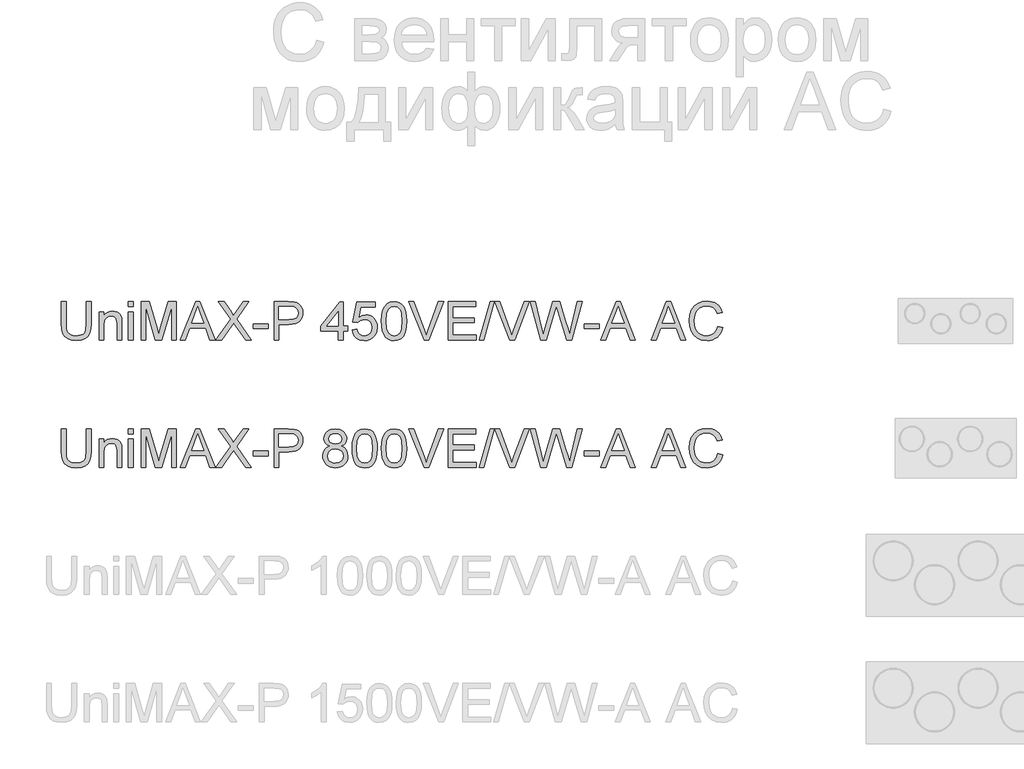
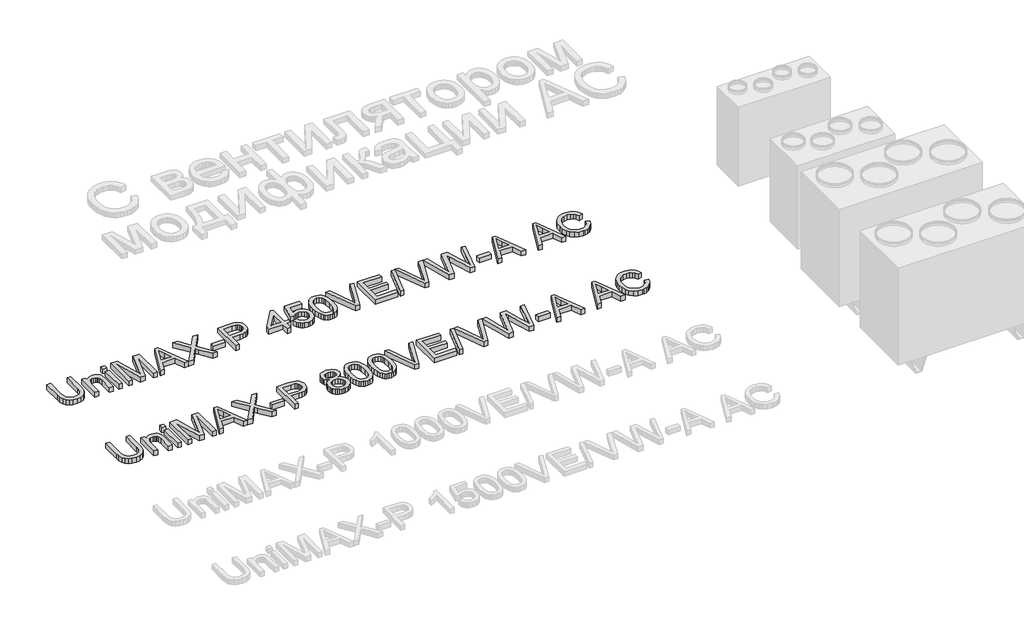
# One storey, part 18 of 74: 2 proxies.
"""IFC4 building model written with IfcOpenShell, lengths in millimetres."""

import ifcopenshell
import ifcopenshell.guid

model = None  # the IFC model being written
_history = None  # IfcOwnerHistory: only IFC2X3 demands one
_inside = {}  # id of a spatial element -> (the spatial element, [elements in it])
_under = {}  # id of a project, library or spatial element -> (it, [spatial elements below it])
_declared = {}  # id of a project -> (the project, [libraries it declares])
_typed = {}  # id of a type object -> (the type object, [elements of that type])
_made_of = {}  # id of a material, layer set ... -> (it, [elements and type objects made of it])


def new_model(schema):
    """Start an empty IFC model of exactly this schema.

    Asked for "IFC4X3", IfcOpenShell would pick the latest addendum, in which some entities
    have other attributes; the version numbers below select the first issue.
    IFC2X3 requires an IfcOwnerHistory on every rooted entity: one is made here for all.
    """
    global model, _history
    if schema == "IFC4X3":
        model = ifcopenshell.file(schema_version=(4, 3, 0, 0))
    else:
        model = ifcopenshell.file(schema=schema)
    _inside.clear()
    _under.clear()
    _declared.clear()
    _typed.clear()
    _made_of.clear()
    _history = None
    if model.schema == "IFC2X3":
        org = make("IfcOrganization", Name="unknown")
        user = make(
            "IfcPersonAndOrganization",
            ThePerson=make("IfcPerson", FamilyName="unknown"),
            TheOrganization=org,
        )
        app = make(
            "IfcApplication",
            ApplicationDeveloper=org,
            Version="unknown",
            ApplicationFullName="unknown",
            ApplicationIdentifier="unknown",
        )
        _history = make(
            "IfcOwnerHistory",
            OwningUser=user,
            OwningApplication=app,
            ChangeAction="ADDED",
            CreationDate=0,
        )
    return model


def make(cls, **values):
    """One entity of the class cls with the attributes given. An attribute that is None is left unset."""
    return model.create_entity(
        cls, **{name: value for name, value in values.items() if value is not None}
    )


def rooted(cls, **values):
    """An entity with a GlobalId (a new one), such as an element, a storey or a relation."""
    return make(cls, GlobalId=ifcopenshell.guid.new(), OwnerHistory=_history, **values)


def si_unit(unit_type, name, prefix=None):
    """IfcSIUnit, for example si_unit("LENGTHUNIT", "METRE", prefix="MILLI")."""
    return make("IfcSIUnit", UnitType=unit_type, Prefix=prefix, Name=name)


def assignment(units):
    """IfcUnitAssignment: the units of a project."""
    return None if units is None else make("IfcUnitAssignment", Units=units)


def point(xyz):
    """IfcCartesianPoint."""
    return None if xyz is None else make("IfcCartesianPoint", Coordinates=xyz)


def direction(xyz):
    """IfcDirection."""
    return None if xyz is None else make("IfcDirection", DirectionRatios=xyz)


def frame(location, z_axis=None, x_axis=None):
    """IfcAxis2Placement3D, a coordinate frame: its origin and axes. An axis left out is left unset."""
    return make(
        "IfcAxis2Placement3D",
        Location=point(location),
        Axis=direction(z_axis),
        RefDirection=direction(x_axis),
    )


def origin():
    """The frame at (0, 0, 0) with its axes left unset."""
    return frame((0.0, 0.0, 0.0))


def origin_with_axes():
    """The frame at (0, 0, 0) with the z axis (0, 0, 1) and the x axis (1, 0, 0) written out."""
    return frame((0.0, 0.0, 0.0), z_axis=(0.0, 0.0, 1.0), x_axis=(1.0, 0.0, 0.0))


def place(relative_to, where):
    """IfcLocalPlacement: puts the frame where relative to a parent placement (None: the world)."""
    return make(
        "IfcLocalPlacement", PlacementRelTo=relative_to, RelativePlacement=where
    )


def context(
    kind, dimensions, precision=None, world=None, true_north=None, identifier=None
):
    """IfcGeometricRepresentationContext, for example the 3D "Model" context."""
    return make(
        "IfcGeometricRepresentationContext",
        ContextIdentifier=identifier,
        ContextType=kind,
        CoordinateSpaceDimension=dimensions,
        Precision=precision,
        WorldCoordinateSystem=world,
        TrueNorth=true_north,
    )


def project(units=None, contexts=None):
    """IfcProject with its units and contexts."""
    return rooted(
        "IfcProject",
        Name="project",
        RepresentationContexts=contexts,
        UnitsInContext=assignment(units),
    )


def spatial(cls, under=None, at=None, **own):
    """A site, building, storey or space (cls), placed at a placement, below another one or the project."""
    s = rooted(cls, ObjectPlacement=at, **own)
    if under is not None:
        _under.setdefault(under.id(), (under, []))[1].append(s)
    return s


def polyline(points):
    """IfcPolyline through the points."""
    return make("IfcPolyline", Points=[point(p) for p in points])


def outline(outer, holes=None, kind="AREA"):
    """IfcArbitraryClosedProfileDef: a profile drawn as a closed curve; with holes, ...WithVoids."""
    if holes is None:
        return make("IfcArbitraryClosedProfileDef", ProfileType=kind, OuterCurve=outer)
    return make(
        "IfcArbitraryProfileDefWithVoids",
        ProfileType=kind,
        OuterCurve=outer,
        InnerCurves=holes,
    )


def extrude(swept, where, along, depth):
    """IfcExtrudedAreaSolid: the profile swept, set in the frame where, extruded along a direction by depth."""
    return make(
        "IfcExtrudedAreaSolid",
        SweptArea=swept,
        Position=where,
        ExtrudedDirection=direction(along),
        Depth=depth,
    )


def shape(context_of_items, identifier, shape_type, items):
    """IfcShapeRepresentation: the items that make up one representation, for example the "Body"."""
    return make(
        "IfcShapeRepresentation",
        ContextOfItems=context_of_items,
        RepresentationIdentifier=identifier,
        RepresentationType=shape_type,
        Items=items,
    )


def made_of(thing, what):
    """Note that an element or type object is made of a material, layer set ...; save() writes the relation."""
    if what is not None:
        _made_of.setdefault(what.id(), (what, []))[1].append(thing)
    return thing


def element(
    cls,
    number,
    at=None,
    inside=None,
    cuts=None,
    type_object=None,
    material=None,
    context=None,
    identifier="Body",
    shape_type=None,
    held_by="IfcProductDefinitionShape",
    body=None,
    shapes=None,
    **own,
):
    """One element of the class cls, such as IfcWall. Its Tag is "e" and its number.

    at: its placement. inside: the storey or other place that contains it. cuts: it is an
    opening in that element (IfcRelVoidsElement). A single representation is given by context,
    identifier, shape_type and body (its items); several are given by shapes. held_by: the class
    of the entity that holds the representations. save() writes the other relations.
    """
    e = rooted(cls, Tag="e%d" % number, ObjectPlacement=at, **own)
    if body is not None:
        shapes = [shape(context, identifier, shape_type, body)]
    if shapes is not None:
        e.Representation = make(held_by, Representations=shapes)
    if inside is not None:
        _inside.setdefault(inside.id(), (inside, []))[1].append(e)
    if cuts is not None:
        rooted(
            "IfcRelVoidsElement", RelatingBuildingElement=cuts, RelatedOpeningElement=e
        )
    if type_object is not None:
        _typed.setdefault(type_object.id(), (type_object, []))[1].append(e)
    return made_of(e, material)


def aggregate(whole, parts):
    """IfcRelAggregates: a whole, such as a stair, and the parts it consists of."""
    return rooted("IfcRelAggregates", RelatingObject=whole, RelatedObjects=parts)


def save(model, path):
    """Write the relations noted so far, then the file.

    IfcRelAggregates (storeys below a building ...), IfcRelContainedInSpatialStructure (elements
    in a storey), IfcRelDefinesByType, IfcRelAssociatesMaterial and IfcRelDeclares: one each for
    every whole, place, type object, material and project.
    """
    for whole, parts in _under.values():
        aggregate(whole, parts)
    for where, things in _inside.values():
        rooted(
            "IfcRelContainedInSpatialStructure",
            RelatedElements=things,
            RelatingStructure=where,
        )
    for kind, things in _typed.values():
        rooted("IfcRelDefinesByType", RelatedObjects=things, RelatingType=kind)
    for what, things in _made_of.values():
        rooted("IfcRelAssociatesMaterial", RelatedObjects=things, RelatingMaterial=what)
    for by, libraries in _declared.values():
        rooted("IfcRelDeclares", RelatingContext=by, RelatedDefinitions=libraries)
    model.write(path)


model = new_model("IFC4")

# Units and contexts
model_context = context("Model", 3, world=origin())
ifc_project = project(units=[si_unit("LENGTHUNIT", "METRE", prefix="MILLI")], contexts=[model_context])

# Site, building, storey
site = spatial("IfcSite", under=ifc_project)
building = spatial("IfcBuilding", under=site)
storey = spatial("IfcBuildingStorey", under=building, Elevation=0.0)

# Proxies
placement = place(None, origin())
element("IfcBuildingElementProxy", 1, Name="Generic Models", at=placement, inside=storey, context=model_context, shape_type="SweptSolid", body=[
    extrude(outline(polyline([(11655.8927797, -27731.9528304), (11693.563896, -27731.9528304), (11693.563896, -27905.8138613), (11691.0071161, -27946.5292011), (11683.3367765, -27977.8819441), (11669.0077728, -28002.0701853), (11646.4750006, -28021.2920196), (11615.6832776, -28033.8459926), (11576.5774215, -28038.0306503), (11538.3268911, -28034.3886186), (11507.7467002, -28023.4625233), (11484.8276519, -28005.6294436), (11469.5605491, -27981.2664585), (11460.9797016, -27948.5893403), (11458.1194191, -27905.8138613), (11458.1194191, -27731.9528304), (11495.7905354, -27731.9528304), (11495.7905354, -27904.4894861), (11497.6483395, -27938.3438267), (11503.2217517, -27961.9158655), (11513.3201125, -27978.2406291), (11528.7527622, -27990.3531438), (11548.8759073, -27997.8579365), (11573.0457544, -28000.359534), (11611.3606642, -27995.4115212), (11625.7034635, -27989.2265052), (11636.8364923, -27980.5674827), (11645.1736181, -27968.3905887), (11651.1287079, -27951.6519579), (11655.8927797, -27904.4894861), (11655.8927797, -27731.9528304)])), origin_with_axes(), (0.0, 0.0, 1.0), 50.0),
    extrude(outline(polyline([(11754.77946, -28033.3217608), (11754.77946, -27812.0039525), (11792.4505763, -27812.0039525), (11792.4505763, -27842.9060401), (11805.5379783, -27827.3262376), (11821.2557365, -27816.1978072), (11839.603851, -27809.520749), (11860.5823218, -27807.295063), (11879.1511655, -27809.0884877), (11896.1565107, -27814.4687619), (11910.3383617, -27822.7645009), (11920.4367224, -27833.30432), (11931.7306997, -27861.0058343), (11933.7172625, -27897.4261518), (11933.7172625, -28033.3217608), (11896.0461462, -28033.3217608), (11896.0461462, -27902.5029233), (11891.7051386, -27869.1728146), (11885.699465, -27859.2491977), (11876.3644594, -27851.551267), (11864.3990975, -27846.6124512), (11850.5023551, -27844.9661793), (11828.4386325, -27848.6633933), (11809.6306655, -27859.7550355), (11802.1143765, -27868.8095311), (11796.7455986, -27881.1841617), (11792.4505763, -27915.8938279), (11792.4505763, -28033.3217608), (11754.77946, -28033.3217608)])), origin_with_axes(), (0.0, 0.0, 1.0), 50.0),
    extrude(outline(polyline([(11985.5150474, -28033.3217608), (11985.5150474, -27812.0039525), (12023.1861637, -27812.0039525), (12023.1861637, -28033.3217608), (11985.5150474, -28033.3217608)])), origin_with_axes(), (0.0, 0.0, 1.0), 50.0),
    extrude(outline(polyline([(11985.5150474, -27769.6239467), (11985.5150474, -27731.9528304), (12023.1861637, -27731.9528304), (12023.1861637, -27769.6239467), (11985.5150474, -27769.6239467)])), origin_with_axes(), (0.0, 0.0, 1.0), 50.0),
    extrude(outline(polyline([(12084.4017277, -28033.3217608), (12084.4017277, -27731.9528304), (12149.2225352, -27731.9528304), (12210.8795576, -27944.3678944), (12223.3139691, -27988.734463), (12236.7784501, -27940.6890744), (12297.4054029, -27731.9528304), (12362.2262104, -27731.9528304), (12362.2262104, -28033.3217608), (12324.5550941, -28033.3217608), (12324.5550941, -27769.6239467), (12248.8449795, -28033.3217608), (12197.7829586, -28033.3217608), (12122.072844, -27769.6239467), (12122.072844, -28033.3217608), (12084.4017277, -28033.3217608)])), origin_with_axes(), (0.0, 0.0, 1.0), 50.0),
    extrude(outline(polyline([(12393.0547216, -28033.3217608), (12513.3521341, -27731.9528304), (12545.431444, -27731.9528304), (12665.7288565, -28033.3217608), (12625.9240246, -28033.3217608), (12591.4166934, -27939.14397), (12467.2933083, -27939.14397), (12432.8595535, -28033.3217608), (12393.0547216, -28033.3217608)]), holes=[polyline([(12481.1256713, -27901.4728537), (12577.6579068, -27901.4728537), (12550.5082156, -27827.3814199), (12529.391789, -27769.6239467), (12510.6298073, -27820.9066968), (12481.1256713, -27901.4728537)])]), origin_with_axes(), (0.0, 0.0, 1.0), 50.0),
    extrude(outline(polyline([(12673.01292, -28033.3217608), (12789.190054, -27869.0992382), (12691.8484781, -27731.9528304), (12737.0243871, -27731.9528304), (12791.8388044, -27809.1344729), (12810.3064806, -27839.2272201), (12831.9379419, -27808.6194381), (12886.163748, -27731.9528304), (12932.0018446, -27731.9528304), (12834.6602686, -27869.5406965), (12950.8374027, -28033.3217608), (12905.6614937, -28033.3217608), (12828.2591219, -27924.1343846), (12812.1458905, -27901.4728537), (12794.4139784, -27926.3416766), (12718.8510166, -28033.3217608), (12673.01292, -28033.3217608)])), origin_with_axes(), (0.0, 0.0, 1.0), 50.0),
    extrude(outline(polyline([(12964.9640713, -27943.8528596), (12964.9640713, -27906.1817433), (13082.6863098, -27906.1817433), (13082.6863098, -27943.8528596), (12964.9640713, -27943.8528596)])), origin_with_axes(), (0.0, 0.0, 1.0), 50.0),
    extrude(outline(polyline([(13129.7752052, -28033.3217608), (13129.7752052, -27731.9528304), (13241.4641789, -27731.9528304), (13286.4929351, -27734.8223099), (13306.570095, -27740.18419), (13323.0971936, -27748.9121903), (13336.4053248, -27761.4017841), (13346.8255823, -27778.0484443), (13353.5578228, -27797.6841458), (13355.801903, -27819.1408632), (13354.286689, -27837.640729), (13349.7410471, -27854.6598698), (13342.1649773, -27870.1982856), (13331.5584795, -27884.2559764), (13316.9972503, -27895.9086386), (13297.5569861, -27904.2319687), (13273.237687, -27909.2259668), (13244.0393529, -27910.8906328), (13167.4463215, -27910.8906328), (13167.4463215, -28033.3217608), (13129.7752052, -28033.3217608)]), holes=[polyline([(13167.4463215, -27873.2195165), (13246.2466448, -27873.2195165), (13279.65033, -27869.7614257), (13301.7232497, -27859.3871535), (13314.0289025, -27842.7404932), (13318.1307867, -27820.4652384), (13315.7119626, -27803.5426666), (13308.4554902, -27789.2688452), (13297.2626805, -27778.5266909), (13283.0348444, -27772.1991206), (13245.3637281, -27769.6239467), (13167.4463215, -27769.6239467), (13167.4463215, -27873.2195165)])]), origin_with_axes(), (0.0, 0.0, 1.0), 50.0),
    extrude(outline(polyline([(13633.6263858, -28033.3217608), (13633.6263858, -27962.6884177), (13497.0685892, -27962.6884177), (13497.0685892, -27925.0173014), (13643.0441648, -27736.6617199), (13671.2975021, -27736.6617199), (13671.2975021, -27925.0173014), (13708.9686184, -27925.0173014), (13708.9686184, -27962.6884177), (13671.2975021, -27962.6884177), (13671.2975021, -28033.3217608), (13633.6263858, -28033.3217608)]), holes=[polyline([(13633.6263858, -27925.0173014), (13633.6263858, -27808.6194381), (13543.4217206, -27925.0173014), (13633.6263858, -27925.0173014)])]), origin_with_axes(), (0.0, 0.0, 1.0), 50.0),
    extrude(outline(polyline([(13741.9308451, -27953.2706387), (13779.6019615, -27948.5617491), (13786.518143, -27971.1772948), (13798.5846724, -27987.3732996), (13815.7463675, -27997.1129754), (13837.9480459, -28000.359534), (13864.9505843, -27995.8437825), (13885.1840941, -27982.2965281), (13897.8208406, -27961.2812691), (13902.0330895, -27934.3615041), (13898.0875551, -27909.0144346), (13886.2509519, -27889.6270535), (13866.4313094, -27877.3214007), (13838.5366571, -27873.2195165), (13820.262119, -27874.8565914), (13805.4640657, -27879.767816), (13784.310851, -27896.7639642), (13746.6397347, -27892.0550747), (13779.6019615, -27736.6617199), (13925.5775371, -27736.6617199), (13925.5775371, -27774.3328362), (13810.0625907, -27774.3328362), (13793.9493593, -27857.3270143), (13820.8599272, -27840.9930537), (13849.0580821, -27835.5484002), (13867.4038974, -27837.2360588), (13884.255192, -27842.2990348), (13899.6119661, -27850.7373281), (13913.4742195, -27862.5509386), (13924.9498385, -27877.0178981), (13933.1467092, -27893.416238), (13938.0648316, -27911.7459584), (13939.7042058, -27932.0070593), (13933.7996997, -27969.6781756), (13926.4190672, -27986.4719887), (13916.0861817, -28001.9046384), (13900.4328028, -28017.7097686), (13882.1674617, -28028.9991474), (13861.2901585, -28035.7727746), (13837.8008931, -28038.0306503), (13800.8011614, -28032.2273119), (13785.1224906, -28024.9731388), (13771.3246166, -28014.8172964), (13759.8443991, -28002.2656226), (13751.118698, -27987.823955), (13741.9308451, -27953.2706387)])), origin_with_axes(), (0.0, 0.0, 1.0), 50.0),
    extrude(outline(polyline([(13972.6664325, -27885.0653167), (13975.4347445, -27836.8267901), (13983.7396806, -27798.3555305), (13997.4984672, -27769.0629266), (14016.6283309, -27748.3603673), (14041.2672276, -27736.0547146), (14071.5531128, -27731.9528304), (14094.7664667, -27734.3808515), (14115.5517995, -27741.664915), (14132.9342237, -27753.5199123), (14145.9388523, -27769.6607349), (14155.7613015, -27789.9494269), (14163.597188, -27814.2480327), (14168.7291419, -27845.104135), (14170.4397931, -27885.0653167), (14167.6990723, -27933.0279319), (14159.4769097, -27971.407221), (14145.8008965, -28000.727416), (14126.6986239, -28021.5127488), (14102.004545, -28033.9011749), (14071.5531128, -28038.0306503), (14050.8045683, -28036.2372256), (14032.4104685, -28030.8569514), (14016.3708136, -28021.8898278), (14002.6856033, -28009.3358547), (13989.5522161, -27986.6421341), (13980.1712252, -27958.3658043), (13974.5426307, -27924.5068652), (13972.6664325, -27885.0653167)]), holes=[polyline([(14010.3375488, -27884.9917403), (14014.7521328, -27944.2483327), (14020.2703627, -27964.5163314), (14027.9958846, -27978.5441317), (14047.7143595, -27994.9056835), (14071.5531128, -28000.359534), (14095.3918661, -27994.8872894), (14115.1103411, -27978.4705553), (14122.835863, -27964.4197624), (14128.3540929, -27944.1563622), (14132.7686768, -27884.9917403), (14128.5012457, -27827.0687202), (14123.1669568, -27806.8674001), (14115.6989522, -27792.5062068), (14096.0172655, -27775.3445117), (14071.1116544, -27769.6239467), (14047.5304185, -27774.66393), (14028.5844958, -27789.78388), (14020.6014565, -27805.4188648), (14014.8992856, -27826.4985031), (14010.3375488, -27884.9917403)])]), origin_with_axes(), (0.0, 0.0, 1.0), 50.0),
    extrude(outline(polyline([(14306.5561313, -28033.3217608), (14186.6266009, -27731.9528304), (14226.9464676, -27731.9528304), (14307.2183189, -27949.0767839), (14323.4787031, -27998.0050893), (14339.5183581, -27949.0767839), (14420.0109387, -27731.9528304), (14460.3308053, -27731.9528304), (14345.4780464, -28033.3217608), (14306.5561313, -28033.3217608)])), origin_with_axes(), (0.0, 0.0, 1.0), 50.0),
    extrude(outline(polyline([(14495.3531713, -28033.3217608), (14495.3531713, -27731.9528304), (14711.96209, -27731.9528304), (14711.96209, -27769.6239467), (14533.0242876, -27769.6239467), (14533.0242876, -27859.0928479), (14702.544311, -27859.0928479), (14702.544311, -27896.7639642), (14533.0242876, -27896.7639642), (14533.0242876, -27995.6506445), (14716.6709796, -27995.6506445), (14716.6709796, -28033.3217608), (14495.3531713, -28033.3217608)])), origin_with_axes(), (0.0, 0.0, 1.0), 50.0),
    extrude(outline(polyline([(14740.2154273, -28033.3217608), (14824.975439, -27731.9528304), (14858.9677353, -27731.9528304), (14774.2077236, -28033.3217608), (14740.2154273, -28033.3217608)])), origin_with_axes(), (0.0, 0.0, 1.0), 50.0),
    extrude(outline(polyline([(14979.9273353, -28033.3217608), (14859.9978049, -27731.9528304), (14900.3176716, -27731.9528304), (14980.5895229, -27949.0767839), (14996.8499071, -27998.0050893), (15012.8895621, -27949.0767839), (15093.3821426, -27731.9528304), (15133.7020093, -27731.9528304), (15018.8492504, -28033.3217608), (14979.9273353, -28033.3217608)])), origin_with_axes(), (0.0, 0.0, 1.0), 50.0),
    extrude(outline(polyline([(15222.6558757, -28033.3217608), (15140.471038, -27731.9528304), (15179.3193767, -27731.9528304), (15226.9968833, -27930.0204966), (15241.7121631, -27991.1624842), (15257.4575125, -27937.0838309), (15317.2015485, -27731.9528304), (15373.1931882, -27731.9528304), (15416.6032636, -27880.6507328), (15435.1996984, -27935.8330321), (15448.9033028, -27991.1624842), (15463.1771242, -27931.7863301), (15511.2960892, -27731.9528304), (15550.1444278, -27731.9528304), (15467.8860137, -28033.3217608), (15427.6397234, -28033.3217608), (15355.3876996, -27800.8203398), (15345.3077329, -27768.3731479), (15333.9769675, -27807.4422158), (15268.1260903, -28033.3217608), (15222.6558757, -28033.3217608)])), origin_with_axes(), (0.0, 0.0, 1.0), 50.0),
    extrude(outline(polyline([(15564.2710965, -27943.8528596), (15564.2710965, -27906.1817433), (15681.9933349, -27906.1817433), (15681.9933349, -27943.8528596), (15564.2710965, -27943.8528596)])), origin_with_axes(), (0.0, 0.0, 1.0), 50.0),
    extrude(outline(polyline([(15693.986288, -28033.3217608), (15814.2837004, -27731.9528304), (15846.3630104, -27731.9528304), (15966.6604228, -28033.3217608), (15926.8555909, -28033.3217608), (15892.3482598, -27939.14397), (15768.2248746, -27939.14397), (15733.7911198, -28033.3217608), (15693.986288, -28033.3217608)]), holes=[polyline([(15782.0572376, -27901.4728537), (15878.5894731, -27901.4728537), (15851.4397819, -27827.3814199), (15830.3233554, -27769.6239467), (15811.5613736, -27820.9066968), (15782.0572376, -27901.4728537)])]), origin_with_axes(), (0.0, 0.0, 1.0), 50.0),
    extrude(outline(polyline([(16089.5330092, -28033.3217608), (16209.8304216, -27731.9528304), (16241.9097316, -27731.9528304), (16362.207144, -28033.3217608), (16322.4023121, -28033.3217608), (16287.894981, -27939.14397), (16163.7715958, -27939.14397), (16129.337841, -28033.3217608), (16089.5330092, -28033.3217608)]), holes=[polyline([(16177.6039588, -27901.4728537), (16274.1361944, -27901.4728537), (16246.9865031, -27827.3814199), (16225.8700766, -27769.6239467), (16207.1080948, -27820.9066968), (16177.6039588, -27901.4728537)])]), origin_with_axes(), (0.0, 0.0, 1.0), 50.0),
    extrude(outline(polyline([(16614.3534635, -27926.1945238), (16652.0245798, -27935.9066085), (16644.5703709, -27959.3337938), (16634.6421555, -27979.8041276), (16622.2399338, -27997.3176098), (16607.3637056, -28011.8742405), (16590.3491633, -28023.3176698), (16571.5319993, -28031.4915479), (16550.9122134, -28036.3958747), (16528.4898058, -28038.0306503), (16484.7946218, -28033.0826375), (16450.0941526, -28018.238599), (16423.4962844, -27994.0135696), (16404.1089032, -27960.9225842), (16392.2723001, -27922.0190632), (16388.3267657, -27880.3564272), (16392.7873348, -27836.4129229), (16406.1690424, -27798.4658951), (16427.7729126, -27767.7201573), (16456.8999696, -27745.3805232), (16491.4440889, -27731.7780864), (16529.2991462, -27727.2439408), (16570.6030972, -27733.1116586), (16588.5718334, -27740.4463059), (16604.7517434, -27750.7148121), (16618.8761128, -27763.6458642), (16630.678227, -27778.9681493), (16647.3156903, -27816.7864184), (16609.644574, -27825.7627391), (16596.5847631, -27798.2911511), (16578.7424864, -27779.4463959), (16555.8970145, -27768.5478918), (16527.8276182, -27764.9150571), (16495.4723967, -27768.943365), (16468.8929226, -27781.0282885), (16448.7237922, -27799.9006349), (16435.599602, -27824.2912111), (16428.398312, -27851.8639667), (16425.997882, -27880.2828508), (16428.8397704, -27915.0844876), (16437.3654356, -27945.1772348), (16451.8967744, -27969.4114612), (16472.7556835, -27986.6375356), (16497.7624622, -27996.9290344), (16524.7374095, -28000.359534), (16556.182123, -27995.6874327), (16582.3845181, -27981.6711287), (16602.1673724, -27958.4577748), (16614.3534635, -27926.1945238)])), origin_with_axes(), (0.0, 0.0, 1.0), 50.0),
])
element("IfcBuildingElementProxy", 2, Name="Generic Models", at=placement, inside=storey, context=model_context, shape_type="SweptSolid", body=[
    extrude(outline(polyline([(11655.8927797, -28731.9528304), (11693.563896, -28731.9528304), (11693.563896, -28905.8138613), (11691.0071161, -28946.5292011), (11683.3367765, -28977.8819441), (11669.0077728, -29002.0701853), (11646.4750006, -29021.2920196), (11615.6832776, -29033.8459926), (11576.5774215, -29038.0306503), (11538.3268911, -29034.3886186), (11507.7467002, -29023.4625233), (11484.8276519, -29005.6294436), (11469.5605491, -28981.2664585), (11460.9797016, -28948.5893403), (11458.1194191, -28905.8138613), (11458.1194191, -28731.9528304), (11495.7905354, -28731.9528304), (11495.7905354, -28904.4894861), (11497.6483395, -28938.3438267), (11503.2217517, -28961.9158655), (11513.3201125, -28978.2406291), (11528.7527622, -28990.3531438), (11548.8759073, -28997.8579365), (11573.0457544, -29000.359534), (11611.3606642, -28995.4115212), (11625.7034635, -28989.2265052), (11636.8364923, -28980.5674827), (11645.1736181, -28968.3905887), (11651.1287079, -28951.6519579), (11655.8927797, -28904.4894861), (11655.8927797, -28731.9528304)])), origin_with_axes(), (0.0, 0.0, 1.0), 50.0),
    extrude(outline(polyline([(11754.77946, -29033.3217608), (11754.77946, -28812.0039525), (11792.4505763, -28812.0039525), (11792.4505763, -28842.9060401), (11805.5379783, -28827.3262376), (11821.2557365, -28816.1978072), (11839.603851, -28809.520749), (11860.5823218, -28807.295063), (11879.1511655, -28809.0884877), (11896.1565107, -28814.4687619), (11910.3383617, -28822.7645009), (11920.4367224, -28833.30432), (11931.7306997, -28861.0058343), (11933.7172625, -28897.4261518), (11933.7172625, -29033.3217608), (11896.0461462, -29033.3217608), (11896.0461462, -28902.5029233), (11891.7051386, -28869.1728146), (11885.699465, -28859.2491977), (11876.3644594, -28851.551267), (11864.3990975, -28846.6124512), (11850.5023551, -28844.9661793), (11828.4386325, -28848.6633933), (11809.6306655, -28859.7550355), (11802.1143765, -28868.8095311), (11796.7455986, -28881.1841617), (11792.4505763, -28915.8938279), (11792.4505763, -29033.3217608), (11754.77946, -29033.3217608)])), origin_with_axes(), (0.0, 0.0, 1.0), 50.0),
    extrude(outline(polyline([(11985.5150474, -29033.3217608), (11985.5150474, -28812.0039525), (12023.1861637, -28812.0039525), (12023.1861637, -29033.3217608), (11985.5150474, -29033.3217608)])), origin_with_axes(), (0.0, 0.0, 1.0), 50.0),
    extrude(outline(polyline([(11985.5150474, -28769.6239467), (11985.5150474, -28731.9528304), (12023.1861637, -28731.9528304), (12023.1861637, -28769.6239467), (11985.5150474, -28769.6239467)])), origin_with_axes(), (0.0, 0.0, 1.0), 50.0),
    extrude(outline(polyline([(12084.4017277, -29033.3217608), (12084.4017277, -28731.9528304), (12149.2225352, -28731.9528304), (12210.8795576, -28944.3678944), (12223.3139691, -28988.734463), (12236.7784501, -28940.6890744), (12297.4054029, -28731.9528304), (12362.2262104, -28731.9528304), (12362.2262104, -29033.3217608), (12324.5550941, -29033.3217608), (12324.5550941, -28769.6239467), (12248.8449795, -29033.3217608), (12197.7829586, -29033.3217608), (12122.072844, -28769.6239467), (12122.072844, -29033.3217608), (12084.4017277, -29033.3217608)])), origin_with_axes(), (0.0, 0.0, 1.0), 50.0),
    extrude(outline(polyline([(12393.0547216, -29033.3217608), (12513.3521341, -28731.9528304), (12545.431444, -28731.9528304), (12665.7288565, -29033.3217608), (12625.9240246, -29033.3217608), (12591.4166934, -28939.14397), (12467.2933083, -28939.14397), (12432.8595535, -29033.3217608), (12393.0547216, -29033.3217608)]), holes=[polyline([(12481.1256713, -28901.4728537), (12577.6579068, -28901.4728537), (12550.5082156, -28827.3814199), (12529.391789, -28769.6239467), (12510.6298073, -28820.9066968), (12481.1256713, -28901.4728537)])]), origin_with_axes(), (0.0, 0.0, 1.0), 50.0),
    extrude(outline(polyline([(12673.01292, -29033.3217608), (12789.190054, -28869.0992382), (12691.8484781, -28731.9528304), (12737.0243871, -28731.9528304), (12791.8388044, -28809.1344729), (12810.3064806, -28839.2272201), (12831.9379419, -28808.6194381), (12886.163748, -28731.9528304), (12932.0018446, -28731.9528304), (12834.6602686, -28869.5406965), (12950.8374027, -29033.3217608), (12905.6614937, -29033.3217608), (12828.2591219, -28924.1343846), (12812.1458905, -28901.4728537), (12794.4139784, -28926.3416766), (12718.8510166, -29033.3217608), (12673.01292, -29033.3217608)])), origin_with_axes(), (0.0, 0.0, 1.0), 50.0),
    extrude(outline(polyline([(12964.9640713, -28943.8528596), (12964.9640713, -28906.1817433), (13082.6863098, -28906.1817433), (13082.6863098, -28943.8528596), (12964.9640713, -28943.8528596)])), origin_with_axes(), (0.0, 0.0, 1.0), 50.0),
    extrude(outline(polyline([(13129.7752052, -29033.3217608), (13129.7752052, -28731.9528304), (13241.4641789, -28731.9528304), (13286.4929351, -28734.8223099), (13306.570095, -28740.18419), (13323.0971936, -28748.9121903), (13336.4053248, -28761.4017841), (13346.8255823, -28778.0484443), (13353.5578228, -28797.6841458), (13355.801903, -28819.1408632), (13354.286689, -28837.640729), (13349.7410471, -28854.6598698), (13342.1649773, -28870.1982856), (13331.5584795, -28884.2559764), (13316.9972503, -28895.9086386), (13297.5569861, -28904.2319687), (13273.237687, -28909.2259668), (13244.0393529, -28910.8906328), (13167.4463215, -28910.8906328), (13167.4463215, -29033.3217608), (13129.7752052, -29033.3217608)]), holes=[polyline([(13167.4463215, -28873.2195165), (13246.2466448, -28873.2195165), (13279.65033, -28869.7614257), (13301.7232497, -28859.3871535), (13314.0289025, -28842.7404932), (13318.1307867, -28820.4652384), (13315.7119626, -28803.5426666), (13308.4554902, -28789.2688452), (13297.2626805, -28778.5266909), (13283.0348444, -28772.1991206), (13245.3637281, -28769.6239467), (13167.4463215, -28769.6239467), (13167.4463215, -28873.2195165)])]), origin_with_axes(), (0.0, 0.0, 1.0), 50.0),
    extrude(outline(polyline([(13566.0832515, -28867.3334046), (13545.9141211, -28857.4005907), (13531.7598613, -28843.9361097), (13523.399743, -28827.215873), (13520.6130369, -28807.5157922), (13522.1305501, -28792.1521203), (13526.6830898, -28778.0668384), (13534.2706559, -28765.2599465), (13544.8932485, -28753.7314445), (13558.0404313, -28744.2033008), (13573.2017681, -28737.3974839), (13609.5669033, -28731.9528304), (13646.1527677, -28737.5262426), (13661.4796513, -28744.4930079), (13674.8291692, -28754.2464793), (13685.6448999, -28766.000309), (13693.3704218, -28778.9681493), (13698.0057349, -28793.1500003), (13699.5508393, -28808.5458617), (13696.8009214, -28827.6113461), (13688.5511676, -28844.0464743), (13674.7096076, -28857.4281819), (13655.1842707, -28867.3334046), (13678.3700334, -28879.2803724), (13695.24662, -28896.8743288), (13705.5381188, -28919.2691452), (13708.9686184, -28945.6186932), (13707.2671642, -28964.4082661), (13702.1628015, -28981.6343405), (13693.6555303, -28997.2969164), (13681.7453507, -29011.3959939), (13667.0576621, -29023.0486561), (13650.2178638, -29031.3719862), (13631.2259558, -29036.3659843), (13610.0819381, -29038.0306503), (13588.9379204, -29036.3590865), (13569.9460124, -29031.3443951), (13553.1062141, -29022.986576), (13538.4185254, -29011.2856293), (13526.5083458, -28997.0876835), (13518.0010747, -28981.2388673), (13512.896712, -28963.7391807), (13511.1952578, -28944.5886236), (13514.7637131, -28917.2182031), (13525.4690792, -28894.703825), (13542.759533, -28877.8180414), (13566.0832515, -28867.3334046)]), holes=[polyline([(13548.8663741, -28943.2642484), (13555.1571562, -28971.6279502), (13563.8667624, -28983.7956472), (13577.4140169, -28992.8547413), (13593.6376129, -28998.4833359), (13610.3762437, -29000.359534), (13636.0176187, -28996.4139996), (13655.2578471, -28984.5773964), (13667.2875883, -28966.6523462), (13671.2975021, -28944.4414708), (13667.1588296, -28921.8535163), (13654.7428123, -28903.5329929), (13635.0611256, -28891.3928871), (13609.1254449, -28887.3461851), (13583.8427548, -28891.3377048), (13564.7956645, -28903.3122637), (13552.8486967, -28921.2832992), (13548.8663741, -28943.2642484)]), polyline([(13558.2841532, -28808.6194381), (13561.6226823, -28825.0637633), (13571.6382696, -28838.1971506), (13588.0366095, -28846.8055892), (13610.5233965, -28849.6750688), (13632.4859516, -28846.8239833), (13648.6359712, -28838.270727), (13658.568785, -28825.5787981), (13661.879723, -28810.3116953), (13658.4584204, -28794.4651784), (13648.1945128, -28781.3593823), (13631.823764, -28772.5578056), (13610.0819381, -28769.6239467), (13588.2021564, -28772.4934262), (13571.8589988, -28781.1018649), (13561.6778646, -28793.7202173), (13558.2841532, -28808.6194381)])]), origin_with_axes(), (0.0, 0.0, 1.0), 50.0),
    extrude(outline(polyline([(13741.9308451, -28885.0653167), (13744.6991572, -28836.8267901), (13753.0040932, -28798.3555305), (13766.7628798, -28769.0629266), (13785.8927436, -28748.3603673), (13810.5316402, -28736.0547146), (13840.8175255, -28731.9528304), (13864.0308793, -28734.3808515), (13884.8162121, -28741.664915), (13902.1986363, -28753.5199123), (13915.2032649, -28769.6607349), (13925.0257141, -28789.9494269), (13932.8616006, -28814.2480327), (13937.9935545, -28845.104135), (13939.7042058, -28885.0653167), (13936.9634849, -28933.0279319), (13928.7413223, -28971.407221), (13915.0653091, -29000.727416), (13895.9630365, -29021.5127488), (13871.2689576, -29033.9011749), (13840.8175255, -29038.0306503), (13820.0689809, -29036.2372256), (13801.6748812, -29030.8569514), (13785.6352262, -29021.8898278), (13771.950016, -29009.3358547), (13758.8166287, -28986.6421341), (13749.4356379, -28958.3658043), (13743.8070433, -28924.5068652), (13741.9308451, -28885.0653167)]), holes=[polyline([(13779.6019615, -28884.9917403), (13784.0165454, -28944.2483327), (13789.5347753, -28964.5163314), (13797.2602972, -28978.5441317), (13816.9787722, -28994.9056835), (13840.8175255, -29000.359534), (13864.6562787, -28994.8872894), (13884.3747537, -28978.4705553), (13892.1002756, -28964.4197624), (13897.6185055, -28944.1563622), (13902.0330895, -28884.9917403), (13897.7656583, -28827.0687202), (13892.4313694, -28806.8674001), (13884.9633649, -28792.5062068), (13865.2816781, -28775.3445117), (13840.3760671, -28769.6239467), (13816.7948312, -28774.66393), (13797.8489084, -28789.78388), (13789.8658691, -28805.4188648), (13784.1636982, -28826.4985031), (13779.6019615, -28884.9917403)])]), origin_with_axes(), (0.0, 0.0, 1.0), 50.0),
    extrude(outline(polyline([(13972.6664325, -28885.0653167), (13975.4347445, -28836.8267901), (13983.7396806, -28798.3555305), (13997.4984672, -28769.0629266), (14016.6283309, -28748.3603673), (14041.2672276, -28736.0547146), (14071.5531128, -28731.9528304), (14094.7664667, -28734.3808515), (14115.5517995, -28741.664915), (14132.9342237, -28753.5199123), (14145.9388523, -28769.6607349), (14155.7613015, -28789.9494269), (14163.597188, -28814.2480327), (14168.7291419, -28845.104135), (14170.4397931, -28885.0653167), (14167.6990723, -28933.0279319), (14159.4769097, -28971.407221), (14145.8008965, -29000.727416), (14126.6986239, -29021.5127488), (14102.004545, -29033.9011749), (14071.5531128, -29038.0306503), (14050.8045683, -29036.2372256), (14032.4104685, -29030.8569514), (14016.3708136, -29021.8898278), (14002.6856033, -29009.3358547), (13989.5522161, -28986.6421341), (13980.1712252, -28958.3658043), (13974.5426307, -28924.5068652), (13972.6664325, -28885.0653167)]), holes=[polyline([(14010.3375488, -28884.9917403), (14014.7521328, -28944.2483327), (14020.2703627, -28964.5163314), (14027.9958846, -28978.5441317), (14047.7143595, -28994.9056835), (14071.5531128, -29000.359534), (14095.3918661, -28994.8872894), (14115.1103411, -28978.4705553), (14122.835863, -28964.4197624), (14128.3540929, -28944.1563622), (14132.7686768, -28884.9917403), (14128.5012457, -28827.0687202), (14123.1669568, -28806.8674001), (14115.6989522, -28792.5062068), (14096.0172655, -28775.3445117), (14071.1116544, -28769.6239467), (14047.5304185, -28774.66393), (14028.5844958, -28789.78388), (14020.6014565, -28805.4188648), (14014.8992856, -28826.4985031), (14010.3375488, -28884.9917403)])]), origin_with_axes(), (0.0, 0.0, 1.0), 50.0),
    extrude(outline(polyline([(14306.5561313, -29033.3217608), (14186.6266009, -28731.9528304), (14226.9464676, -28731.9528304), (14307.2183189, -28949.0767839), (14323.4787031, -28998.0050893), (14339.5183581, -28949.0767839), (14420.0109387, -28731.9528304), (14460.3308053, -28731.9528304), (14345.4780464, -29033.3217608), (14306.5561313, -29033.3217608)])), origin_with_axes(), (0.0, 0.0, 1.0), 50.0),
    extrude(outline(polyline([(14495.3531713, -29033.3217608), (14495.3531713, -28731.9528304), (14711.96209, -28731.9528304), (14711.96209, -28769.6239467), (14533.0242876, -28769.6239467), (14533.0242876, -28859.0928479), (14702.544311, -28859.0928479), (14702.544311, -28896.7639642), (14533.0242876, -28896.7639642), (14533.0242876, -28995.6506445), (14716.6709796, -28995.6506445), (14716.6709796, -29033.3217608), (14495.3531713, -29033.3217608)])), origin_with_axes(), (0.0, 0.0, 1.0), 50.0),
    extrude(outline(polyline([(14740.2154273, -29033.3217608), (14824.975439, -28731.9528304), (14858.9677353, -28731.9528304), (14774.2077236, -29033.3217608), (14740.2154273, -29033.3217608)])), origin_with_axes(), (0.0, 0.0, 1.0), 50.0),
    extrude(outline(polyline([(14979.9273353, -29033.3217608), (14859.9978049, -28731.9528304), (14900.3176716, -28731.9528304), (14980.5895229, -28949.0767839), (14996.8499071, -28998.0050893), (15012.8895621, -28949.0767839), (15093.3821426, -28731.9528304), (15133.7020093, -28731.9528304), (15018.8492504, -29033.3217608), (14979.9273353, -29033.3217608)])), origin_with_axes(), (0.0, 0.0, 1.0), 50.0),
    extrude(outline(polyline([(15222.6558757, -29033.3217608), (15140.471038, -28731.9528304), (15179.3193767, -28731.9528304), (15226.9968833, -28930.0204966), (15241.7121631, -28991.1624842), (15257.4575125, -28937.0838309), (15317.2015485, -28731.9528304), (15373.1931882, -28731.9528304), (15416.6032636, -28880.6507328), (15435.1996984, -28935.8330321), (15448.9033028, -28991.1624842), (15463.1771242, -28931.7863301), (15511.2960892, -28731.9528304), (15550.1444278, -28731.9528304), (15467.8860137, -29033.3217608), (15427.6397234, -29033.3217608), (15355.3876996, -28800.8203398), (15345.3077329, -28768.3731479), (15333.9769675, -28807.4422158), (15268.1260903, -29033.3217608), (15222.6558757, -29033.3217608)])), origin_with_axes(), (0.0, 0.0, 1.0), 50.0),
    extrude(outline(polyline([(15564.2710965, -28943.8528596), (15564.2710965, -28906.1817433), (15681.9933349, -28906.1817433), (15681.9933349, -28943.8528596), (15564.2710965, -28943.8528596)])), origin_with_axes(), (0.0, 0.0, 1.0), 50.0),
    extrude(outline(polyline([(15693.986288, -29033.3217608), (15814.2837004, -28731.9528304), (15846.3630104, -28731.9528304), (15966.6604228, -29033.3217608), (15926.8555909, -29033.3217608), (15892.3482598, -28939.14397), (15768.2248746, -28939.14397), (15733.7911198, -29033.3217608), (15693.986288, -29033.3217608)]), holes=[polyline([(15782.0572376, -28901.4728537), (15878.5894731, -28901.4728537), (15851.4397819, -28827.3814199), (15830.3233554, -28769.6239467), (15811.5613736, -28820.9066968), (15782.0572376, -28901.4728537)])]), origin_with_axes(), (0.0, 0.0, 1.0), 50.0),
    extrude(outline(polyline([(16089.5330092, -29033.3217608), (16209.8304216, -28731.9528304), (16241.9097316, -28731.9528304), (16362.207144, -29033.3217608), (16322.4023121, -29033.3217608), (16287.894981, -28939.14397), (16163.7715958, -28939.14397), (16129.337841, -29033.3217608), (16089.5330092, -29033.3217608)]), holes=[polyline([(16177.6039588, -28901.4728537), (16274.1361944, -28901.4728537), (16246.9865031, -28827.3814199), (16225.8700766, -28769.6239467), (16207.1080948, -28820.9066968), (16177.6039588, -28901.4728537)])]), origin_with_axes(), (0.0, 0.0, 1.0), 50.0),
    extrude(outline(polyline([(16614.3534635, -28926.1945238), (16652.0245798, -28935.9066085), (16644.5703709, -28959.3337938), (16634.6421555, -28979.8041276), (16622.2399338, -28997.3176098), (16607.3637056, -29011.8742405), (16590.3491633, -29023.3176698), (16571.5319993, -29031.4915479), (16550.9122134, -29036.3958747), (16528.4898058, -29038.0306503), (16484.7946218, -29033.0826375), (16450.0941526, -29018.238599), (16423.4962844, -28994.0135696), (16404.1089032, -28960.9225842), (16392.2723001, -28922.0190632), (16388.3267657, -28880.3564272), (16392.7873348, -28836.4129229), (16406.1690424, -28798.4658951), (16427.7729126, -28767.7201573), (16456.8999696, -28745.3805232), (16491.4440889, -28731.7780864), (16529.2991462, -28727.2439408), (16570.6030972, -28733.1116586), (16588.5718334, -28740.4463059), (16604.7517434, -28750.7148121), (16618.8761128, -28763.6458642), (16630.678227, -28778.9681493), (16647.3156903, -28816.7864184), (16609.644574, -28825.7627391), (16596.5847631, -28798.2911511), (16578.7424864, -28779.4463959), (16555.8970145, -28768.5478918), (16527.8276182, -28764.9150571), (16495.4723967, -28768.943365), (16468.8929226, -28781.0282885), (16448.7237922, -28799.9006349), (16435.599602, -28824.2912111), (16428.398312, -28851.8639667), (16425.997882, -28880.2828508), (16428.8397704, -28915.0844876), (16437.3654356, -28945.1772348), (16451.8967744, -28969.4114612), (16472.7556835, -28986.6375356), (16497.7624622, -28996.9290344), (16524.7374095, -29000.359534), (16556.182123, -28995.6874327), (16582.3845181, -28981.6711287), (16602.1673724, -28958.4577748), (16614.3534635, -28926.1945238)])), origin_with_axes(), (0.0, 0.0, 1.0), 50.0),
])

save(model, "model.ifc")
